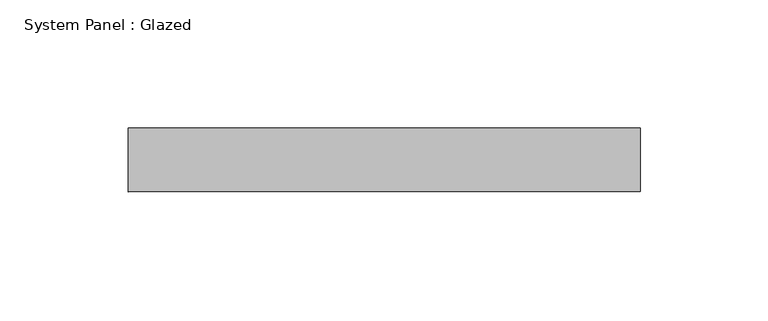
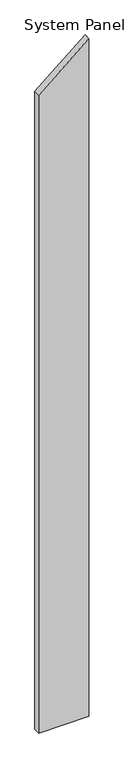
"""IFC4 building model written with IfcOpenShell, lengths in millimetres: plate geometry, System Panel : Glazed."""

from ifc_helpers import new_model, si_unit, frame, origin, place, context, project, spatial, polyline, outline, extrude, source, transform, mapped, element, save


def system_panel_glazed_d9237ef8(model_context):
    return source(origin(), model_context, "Body", "SweptSolid", [
        extrude(outline(polyline([(0.0, -100.0), (0.0, 100.0), (2852.9387463, 100.0), (2685.11882, -100.0), (0.0, -100.0)])), frame((0.0, 24.5, 0.0), z_axis=(0.0, 1.0, 0.0), x_axis=(0.0, 0.0, 1.0)), (0.0, 0.0, 1.0), 25.0),
    ])


if __name__ == "__main__":
    model = new_model("IFC4")
    model_context = context("Model", 3, world=origin())
    ifc_project = project(units=[si_unit("LENGTHUNIT", "METRE", prefix="MILLI")], contexts=[model_context])
    site = spatial("IfcSite", under=ifc_project)
    building = spatial("IfcBuilding", under=site)
    placement = place(None, origin())
    system_panel_glazed_shape = system_panel_glazed_d9237ef8(model_context)
    element("IfcPlate", 1, ObjectType="System Panel : Glazed", at=placement, inside=building, context=model_context, shape_type="MappedRepresentation", body=[
        mapped(system_panel_glazed_shape, transform((0.0, 0.0, 0.0), x_axis=(1.0, 0.0, 0.0), y_axis=(0.0, 1.0, 0.0), z_axis=(0.0, 0.0, 1.0))),
    ])
    save(model, "model.ifc")
